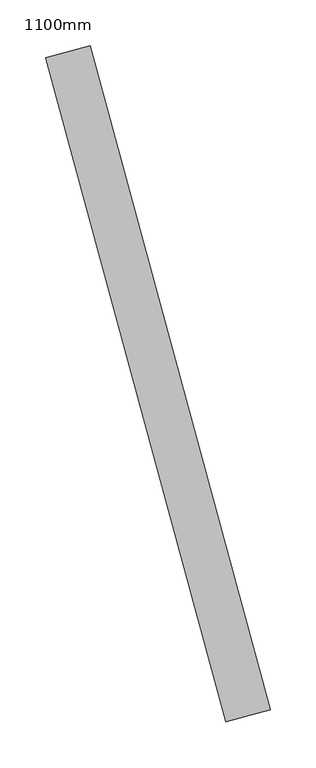
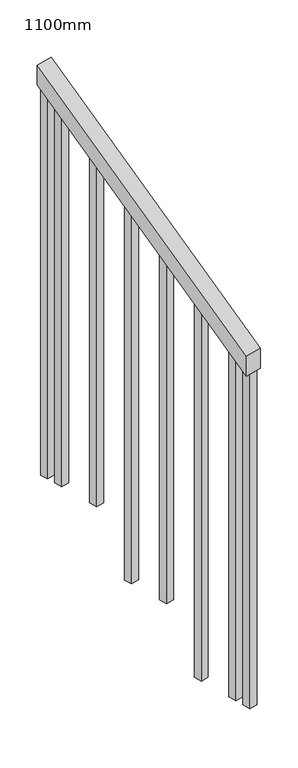
"""IFC4 building model written with IfcOpenShell, lengths in millimetres: railing geometry, 1100mm."""

from ifc_helpers import new_model, si_unit, frame, origin, place, context, project, spatial, polyline, outline, extrude, source, transform, mapped, element, save


def railing_1100mm_e5f9c2d9(model_context):
    return source(origin(), model_context, "Body", "SweptSolid", [
        extrude(outline(polyline([(-35.5555555, -50.0), (0.0, 0.0), (920.2958462, 0.0), (884.7402906, -50.0), (-35.5555555, -50.0)])), frame((265228.4924103, -56445.7508084, 1277.7777778), z_axis=(0.9649894123601837, 0.26228883703418915, 0.0), x_axis=(-0.2137536843159557, 0.7864232597553938, 0.5795237863600209)), (0.0, 0.0, 1.0), 50.0),
        extrude(outline(polyline([(1271.980277, -25.0), (108.8888889, -25.0), (91.1111112, 0.0), (1271.980277, 0.0), (1271.980277, -25.0)])), frame((265056.952592, -55766.9796093, 1805.3136103), z_axis=(0.9649894123601837, 0.26228883703418915, 0.0), x_axis=(0.0, 0.0, -1.0)), (0.0, 0.0, 1.0), 25.0),
        extrude(outline(polyline([(1183.0913881, -25.0), (108.8888889, -25.0), (91.1111111, 0.0), (1183.0913881, 0.0), (1183.0913881, -25.0)])), frame((265089.7386967, -55887.6032858, 1716.4247214), z_axis=(0.9649894123601837, 0.26228883703418915, 0.0), x_axis=(0.0, 0.0, -1.0)), (0.0, 0.0, 1.0), 25.0),
        extrude(outline(polyline([(1271.9802769, -25.0), (108.8888889, -25.0), (91.1111111, 0.0), (1271.9802769, 0.0), (1271.9802769, -25.0)])), frame((265122.5248013, -56008.2269624, 1627.5358325), z_axis=(0.9649894123601837, 0.26228883703418915, 0.0), x_axis=(0.0, 0.0, -1.0)), (0.0, 0.0, 1.0), 25.0),
        extrude(outline(polyline([(1183.091388, -25.0), (108.8888889, -25.0), (91.1111111, 0.0), (1183.091388, 0.0), (1183.091388, -25.0)])), frame((265155.3109059, -56128.8506389, 1538.6469436), z_axis=(0.9649894123601837, 0.26228883703418915, 0.0), x_axis=(0.0, 0.0, -1.0)), (0.0, 0.0, 1.0), 25.0),
        extrude(outline(polyline([(1271.9802769, -25.0), (108.8888889, -25.0), (91.1111111, 0.0), (1271.9802769, 0.0), (1271.9802769, -25.0)])), frame((265188.0970105, -56249.4743155, 1449.7580547), z_axis=(0.9649894123601837, 0.26228883703418915, 0.0), x_axis=(0.0, 0.0, -1.0)), (0.0, 0.0, 1.0), 25.0),
        extrude(outline(polyline([(1183.091388, -25.0), (108.8888889, -25.0), (91.1111111, 0.0), (1183.091388, 0.0), (1183.091388, -25.0)])), frame((265220.8831152, -56370.097992, 1360.8691658), z_axis=(0.9649894123601837, 0.26228883703418915, 0.0), x_axis=(0.0, 0.0, -1.0)), (0.0, 0.0, 1.0), 25.0),
        extrude(outline(polyline([(1307.5358325, -25.0), (108.8888889, -25.0), (91.1111111, 0.0), (1307.5358325, 0.0), (1307.5358325, -25.0)])), frame((265043.8381502, -55718.7301387, 1840.8691658), z_axis=(0.9649894123601837, 0.26228883703418915, 0.0), x_axis=(0.0, 0.0, -1.0)), (0.0, 0.0, 1.0), 25.0),
        extrude(outline(polyline([(1147.5358325, -25.0), (108.8888889, -25.0), (91.1111112, 0.0), (1147.5358325, 0.0), (1147.5358325, -25.0)])), frame((265233.997557, -56418.3474626, 1325.3136103), z_axis=(0.9649894123601837, 0.26228883703418915, 0.0), x_axis=(0.0, 0.0, -1.0)), (0.0, 0.0, 1.0), 25.0),
    ])


if __name__ == "__main__":
    model = new_model("IFC4")
    model_context = context("Model", 3, world=origin())
    ifc_project = project(units=[si_unit("LENGTHUNIT", "METRE", prefix="MILLI")], contexts=[model_context])
    site = spatial("IfcSite", under=ifc_project)
    building = spatial("IfcBuilding", under=site)
    placement = place(None, origin())
    railing_1100mm_shape = railing_1100mm_e5f9c2d9(model_context)
    element("IfcRailing", 1, ObjectType="1100mm", at=placement, inside=building, context=model_context, shape_type="MappedRepresentation", body=[
        mapped(railing_1100mm_shape, transform((0.0, 0.0, 0.0), x_axis=(1.0, 0.0, 0.0), y_axis=(0.0, 1.0, 0.0), z_axis=(0.0, 0.0, 1.0))),
    ])
    save(model, "model.ifc")
